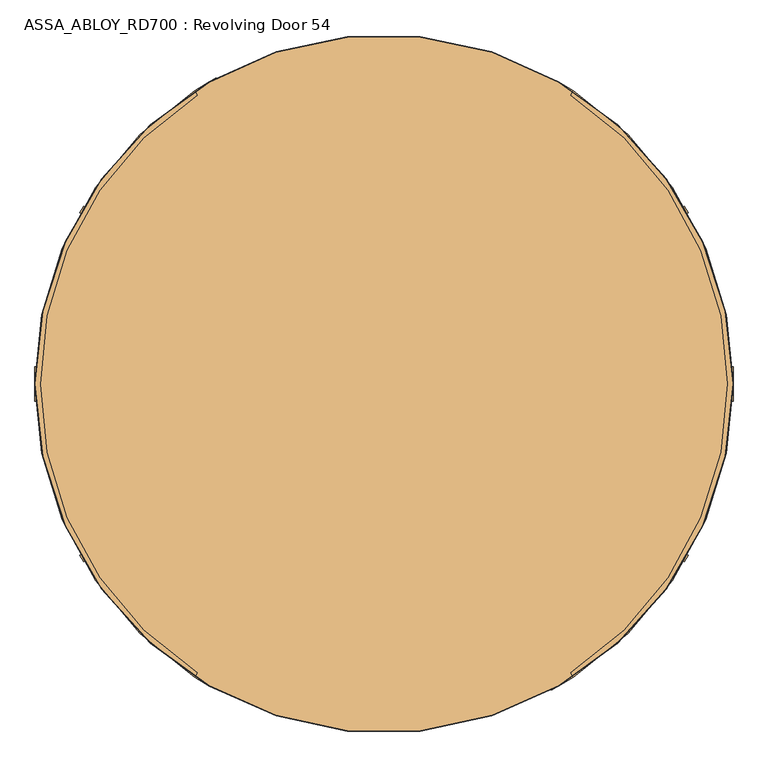
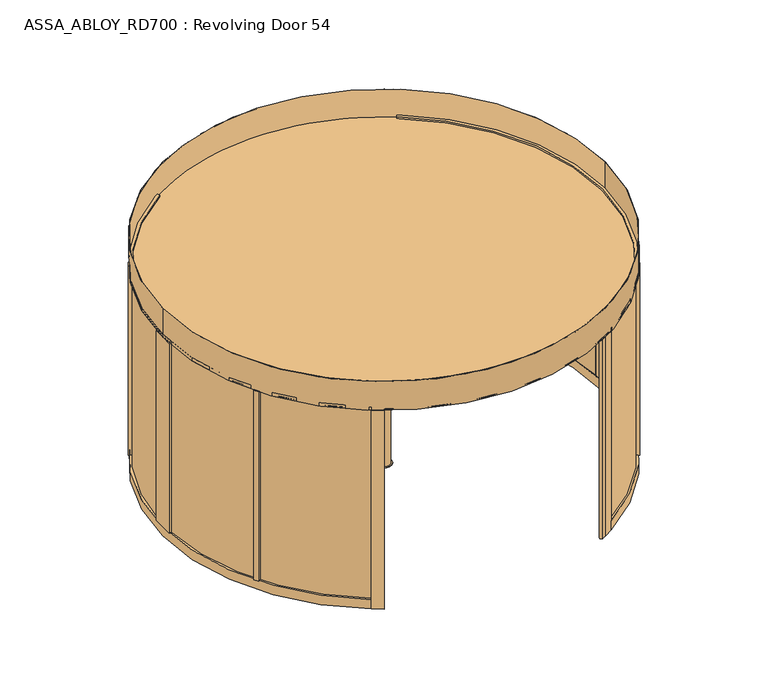
"""IFC4 building model written with IfcOpenShell, lengths in millimetres: door geometry, ASSA_ABLOY_RD700 : Revolving Door 54."""

from ifc_helpers import new_model, si_unit, point, frame, frame_2d, origin, origin_with_axes, origin_2d, place, context, project, spatial, polyline, circle_curve, trimmed, segment, composite_curve, outline, extrude, source, transform, mapped, element, save


def assa_abloy_rd700_revolving_door_54_5173dad9(model_context):
    return source(origin(), model_context, "Body", "SweptSolid", [
        extrude(outline(polyline([(-21.1919363, 1e-07), (0.0, 0.0), (1.2354289, -3.3526833), (-14.8894584, -17.1035441), (-15.8652682, -14.4554101), (-11.2716326, -10.6269535), (-14.2348715, -2.5853724), (-20.214336, -2.6529929), (-21.1919363, 1e-07)]), holes=[polyline([(-11.7626281, -2.5849674), (-9.3848751, -9.0376681), (-1.6611384, -2.5160752), (-11.7626281, -2.5849674)])]), frame((-1298.4366379, 2204.9582273, 111.8848654), z_axis=(0.8660254037844455, 0.4999999999999883, 0.0), x_axis=(-0.17288098849125008, 0.29943865572958484, 0.9383222555567716)), (0.0, 0.0, 1.0), 2.0),
        extrude(outline(polyline([(-3.5121291, 0.0), (0.0, 0.0), (2.8187321, -2.6852579), (4.250422, -5.1162244), (5.5118808, -7.3434952), (7.3063201, -9.1972245), (9.3614355, -9.1814982), (11.0208469, -7.16163), (10.6514742, -3.4882217), (8.71119, 0.0484617), (6.0403681, 2.6484111), (9.0699595, 3.711135), (11.0920114, 1.0208017), (12.7977466, -2.5981572), (13.1300796, -8.3561656), (9.9996043, -11.7673438), (6.2388815, -11.6844271), (3.0893834, -8.4786223), (1.8238571, -6.2006452), (0.6628891, -4.2207408), (-0.9295188, -2.6144294), (-2.9863484, -2.6252693), (-4.8029446, -4.752408), (-4.3562346, -8.76362), (-2.4447823, -12.1320668), (0.6567352, -15.0446471), (-2.5145629, -16.157079), (-4.8247981, -13.2083905), (-6.5093631, -9.6341389), (-7.2092232, -6.1919011), (-6.787432, -3.3659463), (-5.4926863, -1.2764387), (-3.5121291, 0.0)])), frame((-1286.5717426, 2184.4076258, 100.999973), z_axis=(0.8660254037844455, 0.49999999999998834, 0.0), x_axis=(-0.16550355081008244, 0.286660558836129, 0.9436282629706535)), (0.0, 0.0, 1.0), 2.0),
        extrude(outline(polyline([(-3.5121291, 0.0), (0.0, 0.0), (2.8187321, -2.6852579), (4.250422, -5.1162244), (5.5118808, -7.3434952), (7.3063201, -9.1972245), (9.3614355, -9.1814982), (11.0208469, -7.1616301), (10.6514742, -3.4882218), (8.71119, 0.0484617), (6.0403681, 2.6484111), (9.0699595, 3.711135), (11.0920114, 1.0208017), (12.7977466, -2.5981572), (13.1300796, -8.3561656), (9.9996043, -11.7673438), (6.2388815, -11.6844271), (3.0893834, -8.4786223), (1.8238571, -6.2006452), (0.6628891, -4.2207408), (-0.9295188, -2.6144294), (-2.9863484, -2.6252693), (-4.8029446, -4.752408), (-4.3562346, -8.76362), (-2.4447823, -12.1320668), (0.6567352, -15.0446471), (-2.5145629, -16.157079), (-4.8247981, -13.2083905), (-6.5093631, -9.6341389), (-7.2092232, -6.1919011), (-6.787432, -3.3659463), (-5.4926863, -1.2764387), (-3.5121291, 0.0)])), frame((-1277.1264315, 2168.0478671, 100.999973), z_axis=(0.8660254037844455, 0.49999999999998834, 0.0), x_axis=(-0.16550355081008244, 0.286660558836129, 0.9436282629706535)), (0.0, 0.0, 1.0), 2.0),
        extrude(outline(polyline([(-21.1919363, 1e-07), (0.0, 0.0), (1.2354289, -3.3526833), (-14.8894584, -17.1035441), (-15.8652682, -14.4554101), (-11.2716326, -10.6269535), (-14.2348715, -2.5853724), (-20.214336, -2.6529929), (-21.1919363, 1e-07)]), holes=[polyline([(-11.7626281, -2.5849675), (-9.3848751, -9.0376682), (-1.6611384, -2.5160752), (-11.7626281, -2.5849675)])]), frame((-1270.1007046, 2155.8789512, 111.8848654), z_axis=(0.8660254037844455, 0.4999999999999883, 0.0), x_axis=(-0.17288098849125008, 0.29943865572958484, 0.9383222555567716)), (0.0, 0.0, 1.0), 2.0),
        extrude(outline(polyline([(-21.1919363, 1e-07), (0.0, 0.0), (1.2354289, -3.3526833), (-14.8894584, -17.1035441), (-15.8652682, -14.4554101), (-11.2716326, -10.6269535), (-14.2348715, -2.5853724), (-20.214336, -2.6529929), (-21.1919363, 1e-07)]), holes=[polyline([(-11.7626281, -2.5849674), (-9.3848751, -9.0376681), (-1.6611384, -2.5160752), (-11.7626281, -2.5849674)])]), frame((-1255.8498844, 2131.1958065, 111.8848654), z_axis=(0.8660254037844455, 0.4999999999999883, 0.0), x_axis=(-0.17288098849125008, 0.29943865572958484, 0.9383222555567716)), (0.0, 0.0, 1.0), 2.0),
        extrude(outline(polyline([(-3.6247797, -1e-07), (0.0, 0.0), (2.8147562, -2.4211002), (3.7068839, -0.0321767), (5.7320771, 1.441087), (7.9241126, 1.6554024), (9.8352433, 0.5920774), (11.1479956, -1.1951535), (12.3716711, -4.2930708), (14.3144162, -9.9880648), (-4.5055294, -16.4081519), (-6.8194358, -9.6251298), (-7.5842828, -6.2202288), (-7.204982, -3.4426963), (-5.9232413, -1.3859292), (-3.6247797, -1e-07)]), holes=[polyline([(5.2214253, -2.9241787), (4.7734732, -6.6552625), (5.9304264, -10.0467736), (11.2627443, -8.2277489), (10.1960736, -5.1008933), (9.3653605, -2.9303688), (5.2214253, -2.9241787)]), polyline([(-2.8765907, -2.5461078), (-4.3679308, -3.4351118), (-5.1102534, -4.8838351), (-5.1175974, -6.8751818), (-4.336209, -9.7190964), (-3.1658807, -13.1498157), (3.7347661, -10.7957837), (2.347091, -6.7279309), (1.5099769, -4.5787397), (0.5832315, -3.1932876), (-0.9746905, -2.2912471), (-2.8765907, -2.5461078)])]), frame((-1243.6574584, 2110.0779052, 101.561824), z_axis=(0.8660254037844455, 0.49999999999998823, 0.0), x_axis=(-0.16143149534181742, 0.2796075518738551, 0.9464457138403736)), (0.0, 0.0, 1.0), 2.0),
        extrude(outline(polyline([(-2.319901, 0.0), (0.0, 0.0), (0.0, -9.9424327), (17.5649644, -9.9424327), (17.5649644, -12.5937481), (-2.319901, -12.5937481), (-2.319901, 0.0)])), frame((-1234.9526514, 2095.0007373, 94.319901), z_axis=(0.8660254037844455, 0.49999999999998823, 0.0), x_axis=(0.0, 0.0, 1.0)), (0.0, 0.0, 1.0), 2.0),
        extrude(outline(polyline([(-3.4755122, 0.0), (0.0, 0.0), (3.5095376, -1.5864763), (6.1998493, -4.2905332), (7.4345587, -7.5668216), (7.0812776, -11.3109182), (5.1361655, -15.2239686), (2.1257687, -18.4422905), (-1.2097864, -20.048671), (-4.7147757, -20.0502836), (-8.2007387, -18.4707048), (-10.9175762, -15.7640054), (-12.1283676, -12.475947), (-11.7934802, -8.7947164), (-9.8417791, -4.8358203), (-6.8343334, -1.6217536), (-3.4755122, 0.0)]), holes=[polyline([(-7.663169, -6.3468237), (-9.5892894, -12.1951337), (-6.8871209, -16.5585186), (-1.8513939, -17.5618518), (2.9575554, -13.7129652), (4.8960978, -7.8921765), (2.1788995, -3.4868579), (-2.8864763, -2.494471), (-7.663169, -6.3468237)])]), frame((-1227.6757746, 2082.3968168, 111.5197917), z_axis=(0.8660254037844455, 0.4999999999999882, 0.0), x_axis=(-0.4108545755708555, 0.711620999410891, 0.5699070721880338)), (0.0, 0.0, 1.0), 2.0),
        extrude(outline(polyline([(-3.1691505, 0.0), (0.0, 0.0), (5.4320895, -8.8964059), (10.9211409, 0.0), (14.0643996, 0.0), (6.7732822, -11.4441543), (6.7732822, -19.8848654), (4.1219669, -19.8848654), (4.1219669, -11.1645234), (-3.1691505, 0.0)])), frame((-1217.1494829, 2064.1647447, 111.8848654), z_axis=(0.8660254037844455, 0.49999999999998823, 0.0), x_axis=(-0.49999999999998823, 0.8660254037844455, 0.0)), (0.0, 0.0, 1.0), 2.0),
        extrude(outline(polyline([(21.1919362, 0.0), (20.214336, -2.6529929), (14.2348715, -2.5853724), (11.2716326, -10.6269535), (15.8652682, -14.4554101), (14.8894584, -17.1035442), (-1.2354289, -3.3526833), (0.0, 0.0), (21.1919362, 0.0)]), holes=[polyline([(11.7626281, -2.5849675), (1.6611384, -2.5160752), (9.3848751, -9.0376682), (11.7626281, -2.5849675)])]), frame((-1184.9734689, 2092.4342537, 111.8848654), z_axis=(0.8660254037844423, 0.4999999999999939, 0.0), x_axis=(-0.172880988491252, 0.2994386557295837, -0.9383222555567716)), (0.0, 0.0, 1.0), 2.0),
        extrude(outline(polyline([(3.5121291, 0.0), (5.4926863, -1.2764387), (6.787432, -3.3659463), (7.2092232, -6.1919012), (6.5093631, -9.6341389), (4.824798, -13.2083907), (2.5145629, -16.1570791), (-0.6567353, -15.0446472), (2.4447822, -12.1320668), (4.3562345, -8.7636201), (4.8029446, -4.7524082), (2.9863484, -2.6252693), (0.9295188, -2.6144294), (-0.6628891, -4.2207409), (-1.8238571, -6.2006453), (-3.0893834, -8.4786223), (-6.2388816, -11.6844271), (-9.9996043, -11.7673439), (-13.1300796, -8.3561656), (-12.7977466, -2.5981572), (-11.0920114, 1.0208017), (-9.0699595, 3.711135), (-6.0403681, 2.6484111), (-8.71119, 0.0484616), (-10.6514742, -3.4882218), (-11.0208469, -7.1616301), (-9.3614355, -9.1814983), (-7.3063201, -9.1972246), (-5.5118808, -7.3434952), (-4.250422, -5.1162245), (-2.8187321, -2.6852579), (0.0, 0.0), (3.5121291, 0.0)])), frame((-1196.8383642, 2112.9848552, 100.999973), z_axis=(0.8660254037844424, 0.49999999999999384, 0.0), x_axis=(-0.16550355081008428, 0.28666055883612795, -0.9436282629706535)), (0.0, 0.0, 1.0), 2.0),
        extrude(outline(polyline([(3.5121291, 0.0), (5.4926863, -1.2764387), (6.787432, -3.3659463), (7.2092232, -6.1919012), (6.5093631, -9.6341389), (4.824798, -13.2083907), (2.5145629, -16.1570791), (-0.6567353, -15.0446472), (2.4447822, -12.1320668), (4.3562345, -8.7636201), (4.8029446, -4.7524082), (2.9863484, -2.6252693), (0.9295188, -2.6144294), (-0.6628891, -4.2207409), (-1.8238571, -6.2006453), (-3.0893834, -8.4786223), (-6.2388816, -11.6844271), (-9.9996043, -11.7673439), (-13.1300796, -8.3561656), (-12.7977466, -2.5981572), (-11.0920114, 1.0208016), (-9.0699595, 3.711135), (-6.0403681, 2.6484111), (-8.71119, 0.0484616), (-10.6514742, -3.4882218), (-11.0208469, -7.1616301), (-9.3614355, -9.1814983), (-7.3063201, -9.1972246), (-5.5118808, -7.3434952), (-4.250422, -5.1162245), (-2.8187321, -2.6852579), (0.0, 0.0), (3.5121291, 0.0)])), frame((-1206.2836753, 2129.3446139, 100.999973), z_axis=(0.8660254037844424, 0.49999999999999384, 0.0), x_axis=(-0.16550355081008428, 0.28666055883612795, -0.9436282629706535)), (0.0, 0.0, 1.0), 2.0),
        extrude(outline(polyline([(21.1919362, 0.0), (20.214336, -2.6529929), (14.2348715, -2.5853723), (11.2716326, -10.6269535), (15.8652682, -14.4554101), (14.8894584, -17.1035441), (-1.2354289, -3.3526834), (0.0, 0.0), (21.1919362, 0.0)]), holes=[polyline([(11.7626281, -2.5849674), (1.6611384, -2.5160752), (9.3848751, -9.0376682), (11.7626281, -2.5849674)])]), frame((-1213.3094021, 2141.5135298, 111.8848654), z_axis=(0.8660254037844423, 0.4999999999999939, 0.0), x_axis=(-0.172880988491252, 0.2994386557295837, -0.9383222555567716)), (0.0, 0.0, 1.0), 2.0),
        extrude(outline(polyline([(21.1919362, 0.0), (20.214336, -2.6529929), (14.2348715, -2.5853724), (11.2716326, -10.6269535), (15.8652682, -14.4554101), (14.8894584, -17.1035442), (-1.2354289, -3.3526833), (0.0, 0.0), (21.1919362, 0.0)]), holes=[polyline([(11.7626281, -2.5849675), (1.6611384, -2.5160752), (9.3848751, -9.0376682), (11.7626281, -2.5849675)])]), frame((-1227.5602224, 2166.1966745, 111.8848654), z_axis=(0.8660254037844423, 0.4999999999999939, 0.0), x_axis=(-0.172880988491252, 0.2994386557295837, -0.9383222555567716)), (0.0, 0.0, 1.0), 2.0),
        extrude(outline(polyline([(3.6247797, 0.0), (5.9232413, -1.3859291), (7.2049821, -3.4426962), (7.5842828, -6.2202288), (6.8194358, -9.6251297), (4.5055294, -16.4081518), (-14.3144162, -9.9880647), (-12.3716711, -4.2930708), (-11.1479955, -1.1951534), (-9.8352432, 0.5920774), (-7.9241126, 1.6554025), (-5.7320771, 1.441087), (-3.7068838, -0.0321766), (-2.8147562, -2.4211001), (0.0, 0.0), (3.6247797, 0.0)]), holes=[polyline([(-5.2214252, -2.9241786), (-9.3653605, -2.9303687), (-10.1960736, -5.1008933), (-11.2627443, -8.2277488), (-5.9304264, -10.0467734), (-4.7734732, -6.6552624), (-5.2214252, -2.9241786)]), polyline([(2.8765907, -2.5461078), (0.9746905, -2.291247), (-0.5832315, -3.1932875), (-1.5099769, -4.5787396), (-2.3470909, -6.7279308), (-3.734766, -10.7957836), (3.1658807, -13.1498156), (4.3362091, -9.7190963), (5.1175975, -6.8751817), (5.1102534, -4.8838351), (4.3679308, -3.4351116), (2.8765907, -2.5461078)])]), frame((-1239.7526483, 2187.3145757, 101.561824), z_axis=(0.8660254037844424, 0.49999999999999384, 0.0), x_axis=(-0.16143149534181922, 0.27960755187385405, -0.9464457138403736)), (0.0, 0.0, 1.0), 2.0),
        extrude(outline(polyline([(2.319901, 0.0), (2.319901, -12.5937481), (-17.5649644, -12.5937481), (-17.5649644, -9.9424327), (0.0, -9.9424327), (0.0, 0.0), (2.319901, 0.0)])), frame((-1248.4574553, 2202.3917437, 94.319901), z_axis=(0.8660254037844423, 0.49999999999999384, 0.0), x_axis=(0.0, 0.0, -1.0)), (0.0, 0.0, 1.0), 2.0),
        extrude(outline(polyline([(3.4755122, 0.0), (6.8343333, -1.6217536), (9.841779, -4.8358204), (11.7934802, -8.7947164), (12.1283676, -12.475947), (10.9175762, -15.7640054), (8.2007386, -18.4707048), (4.7147757, -20.0502836), (1.2097864, -20.048671), (-2.1257687, -18.4422905), (-5.1361655, -15.2239686), (-7.0812776, -11.3109182), (-7.4345588, -7.5668217), (-6.1998493, -4.2905332), (-3.5095377, -1.5864764), (0.0, 0.0), (3.4755122, 0.0)]), holes=[polyline([(7.663169, -6.3468237), (2.8864762, -2.4944711), (-2.1788995, -3.4868579), (-4.8960978, -7.8921765), (-2.9575555, -13.7129653), (1.8513939, -17.5618518), (6.8871209, -16.5585186), (9.5892893, -12.1951337), (7.663169, -6.3468237)])]), frame((-1255.7343322, 2214.9956642, 111.5197917), z_axis=(0.8660254037844421, 0.49999999999999384, 0.0), x_axis=(-0.410854575570859, 0.7116209994108863, -0.5699070721880373)), (0.0, 0.0, 1.0), 2.0),
        extrude(outline(polyline([(3.1691504, 0.0), (-4.1219669, -11.1645234), (-4.1219669, -19.8848654), (-6.7732823, -19.8848654), (-6.7732823, -11.4441543), (-14.0643996, 0.0), (-10.921141, 0.0), (-5.4320896, -8.8964059), (0.0, 0.0), (3.1691504, 0.0)])), frame((-1266.2606239, 2233.2277363, 111.8848654), z_axis=(0.8660254037844423, 0.49999999999999384, 0.0), x_axis=(-0.49999999999999384, 0.8660254037844423, 0.0)), (0.0, 0.0, 1.0), 2.0),
        extrude(outline(polyline([(26.6515221, 0.0), (0.0, 0.0), (0.0, -39.5498894), (-13.9731118, -39.4978266), (-35.4734857, -27.0878672), (-65.7800894, 7.1605958), (-57.4313185, 25.5557642), (-24.0034278, 19.9844491), (26.6515221, 0.0)])), frame((-522.8205081, 865.5516832, 42.0), z_axis=(-0.4999999999999939, 0.8660254037844421, 0.0), x_axis=(0.8660254037844421, 0.4999999999999939, 0.0)), (0.0, 0.0, 1.0), 1639.0),
        extrude(outline(polyline([(33.1204549, 0.0), (0.0, 0.0), (0.0, -37.4557851), (-13.0431775, -37.4022447), (-28.8456008, -22.8930528), (-37.5120241, -2.8258245), (-41.1595702, 16.5838424), (-29.2477892, 28.4956234), (33.1204549, 0.0)])), frame((-56.3205081, 57.5499815, 42.0), z_axis=(-0.4999999999999939, 0.8660254037844421, 0.0), x_axis=(0.8660254037844421, 0.4999999999999939, 0.0)), (0.0, 0.0, 1.0), 933.0),
        extrude(outline(polyline([(-1319.2396129, 2298.2930811), (-1342.3205081, 2284.96732), (-1322.5455634, 2250.7161111), (-1334.6726646, 2243.7746428), (-1359.4975143, 2243.771796), (-1402.8680345, 2258.2785332), (-1404.835371, 2278.3836018), (-1373.1003109, 2290.2726467), (-1319.2396129, 2298.2930811)])), origin_with_axes(), (0.0, 0.0, 1.0), 2600.0),
        extrude(outline(composite_curve([segment(polyline([(-1350.0, 2338.2685902), (-1370.0, 2372.9096064)]), True, "CONTINUOUS"), segment(trimmed(circle_curve(origin_2d(), 2740.0), [point((-1370.0, 2372.9096064))], [point((-1326.4706086, 2397.5144889))], False, "CARTESIAN"), True, "CONTINUOUS"), segment(trimmed(circle_curve(frame_2d((-1316.7850923, 2380.0085105)), 20.0067115), [point((-1326.4706086, 2397.5144889))], [point((-1306.4672285, 2362.8676182))], False, "CARTESIAN"), True, "CONTINUOUS"), segment(trimmed(circle_curve(origin_2d(), 2700.0), [point((-1306.4672285, 2362.8676182))], [point((-1350.0, 2338.2685902))], True, "CARTESIAN"), True, "CONTINUOUS")], self_intersect=False)), origin_with_axes(), (0.0, 0.0, 1.0), 2600.0),
        extrude(outline(composite_curve([segment(polyline([(1350.0, -2338.2685902), (1370.0, -2372.9096064)]), True, "CONTINUOUS"), segment(trimmed(circle_curve(origin_2d(), 2740.0), [point((1370.0, -2372.9096064))], [point((1326.4706086, -2397.5144889))], False, "CARTESIAN"), True, "CONTINUOUS"), segment(trimmed(circle_curve(frame_2d((1316.7850923, -2380.0085105)), 20.0067115), [point((1326.4706086, -2397.5144889))], [point((1306.4672285, -2362.8676182))], False, "CARTESIAN"), True, "CONTINUOUS"), segment(trimmed(circle_curve(origin_2d(), 2700.0), [point((1306.4672285, -2362.8676182))], [point((1350.0, -2338.2685902))], True, "CARTESIAN"), True, "CONTINUOUS")], self_intersect=False)), origin_with_axes(), (0.0, 0.0, 1.0), 2600.0),
        extrude(outline(composite_curve([segment(trimmed(circle_curve(origin_2d(), 2726.0), [point((-2726.0, 0.0))], [point((2726.0, 0.0))], False, "CARTESIAN"), True, "CONTINUOUS"), segment(trimmed(circle_curve(origin_2d(), 2726.0), [point((2726.0, 0.0))], [point((-2726.0, 0.0))], False, "CARTESIAN"), True, "CONTINUOUS")], self_intersect=False)), frame((0.0, 0.0, 2600.0), z_axis=(0.0, 0.0, 1.0), x_axis=(1.0, 0.0, 0.0)), (0.0, 0.0, 1.0), 16.0),
        extrude(outline(composite_curve([segment(polyline([(-1486.090823, 2301.7782347), (-1466.0657747, 2267.0938335)]), True, "CONTINUOUS"), segment(trimmed(circle_curve(frame_2d((0.0, -0.2065754)), 2700.0), [point((-1466.0657747, 2267.0938335))], [point((-1466.0657747, -2267.5069843))], True, "CARTESIAN"), True, "CONTINUOUS"), segment(polyline([(-1466.0657747, -2267.5069843), (-1486.090823, -2302.1913855)]), True, "CONTINUOUS"), segment(trimmed(circle_curve(frame_2d((0.0, -0.2065754)), 2740.0), [point((-1486.090823, -2302.1913855))], [point((-1486.090823, 2301.7782347))], False, "CARTESIAN"), True, "CONTINUOUS")], self_intersect=False)), frame((0.0, 0.0, 2603.0), z_axis=(0.0, 0.0, 1.0), x_axis=(1.0, 0.0, 0.0)), (0.0, 0.0, 1.0), 40.0),
        extrude(outline(composite_curve([segment(polyline([(-1486.090823, -2302.1913855), (-1466.0657747, -2267.5069843)]), True, "CONTINUOUS"), segment(trimmed(circle_curve(frame_2d((0.0, -0.2065754)), 2700.0), [point((-1466.0657747, -2267.5069843))], [point((-1350.0, -2338.4751656))], True, "CARTESIAN"), True, "CONTINUOUS"), segment(polyline([(-1350.0, -2338.4751656), (-1370.0, -2373.1161818)]), True, "CONTINUOUS"), segment(trimmed(circle_curve(frame_2d((0.0, -0.2065754)), 2740.0), [point((-1370.0, -2373.1161818))], [point((-1486.090823, -2302.1913855))], False, "CARTESIAN"), True, "CONTINUOUS")], self_intersect=False)), frame((0.0, 0.0, 3.0), z_axis=(0.0, 0.0, 1.0), x_axis=(1.0, 0.0, 0.0)), (0.0, 0.0, 1.0), 2600.0),
        extrude(outline(composite_curve([segment(polyline([(-1370.0, 2372.703031), (-1350.0, 2338.0620148)]), True, "CONTINUOUS"), segment(trimmed(circle_curve(frame_2d((0.0, -0.2065754)), 2700.0), [point((-1350.0, 2338.0620148))], [point((-1466.0657747, 2267.0938335))], True, "CARTESIAN"), True, "CONTINUOUS"), segment(polyline([(-1466.0657747, 2267.0938335), (-1486.090823, 2301.7782347)]), True, "CONTINUOUS"), segment(trimmed(circle_curve(frame_2d((0.0, -0.2065754)), 2740.0), [point((-1486.090823, 2301.7782347))], [point((-1370.0, 2372.703031))], False, "CARTESIAN"), True, "CONTINUOUS")], self_intersect=False)), frame((0.0, 0.0, 3.0), z_axis=(0.0, 0.0, 1.0), x_axis=(1.0, 0.0, 0.0)), (0.0, 0.0, 1.0), 2600.0),
        extrude(outline(composite_curve([segment(polyline([(-2709.5890832, -136.2065754), (-2701.5789827, -136.2065754)]), True, "CONTINUOUS"), segment(trimmed(circle_curve(frame_2d((0.0, -0.2065754)), 2705.0), [point((-2701.5789827, -136.2065754))], [point((-1468.5689463, -2271.8426048))], True, "CARTESIAN"), True, "CONTINUOUS"), segment(polyline([(-1468.5689463, -2271.8426048), (-1472.5739965, -2278.7795553)]), True, "CONTINUOUS"), segment(trimmed(circle_curve(frame_2d((0.0, -0.2065754)), 2713.0), [point((-1472.5739965, -2278.7795553))], [point((-2709.5890832, -136.2065754))], False, "CARTESIAN"), True, "CONTINUOUS")], self_intersect=False)), frame((0.0, 0.0, 123.0), z_axis=(0.0, 0.0, 1.0), x_axis=(1.0, 0.0, 0.0)), (0.0, 0.0, 1.0), 2480.0),
        extrude(outline(composite_curve([segment(polyline([(-1472.5739965, 2278.3664045), (-1468.5689463, 2271.429454)]), True, "CONTINUOUS"), segment(trimmed(circle_curve(frame_2d((0.0, -0.2065754)), 2705.0), [point((-1468.5689463, 2271.429454))], [point((-2701.5789827, 135.7934246))], True, "CARTESIAN"), True, "CONTINUOUS"), segment(polyline([(-2701.5789827, 135.7934246), (-2709.5890832, 135.7934246)]), True, "CONTINUOUS"), segment(trimmed(circle_curve(frame_2d((0.0, -0.2065754)), 2713.0), [point((-2709.5890832, 135.7934246))], [point((-1472.5739965, 2278.3664045))], False, "CARTESIAN"), True, "CONTINUOUS")], self_intersect=False)), frame((0.0, 0.0, 123.0), z_axis=(0.0, 0.0, 1.0), x_axis=(1.0, 0.0, 0.0)), (0.0, 0.0, 1.0), 2480.0),
        extrude(outline(polyline([(-2740.0, -136.2065754), (-2740.0, 135.7934246), (-2700.0, 135.7934246), (-2700.0, -136.2065754), (-2740.0, -136.2065754)])), frame((0.0, 0.0, 123.0), z_axis=(0.0, 0.0, 1.0), x_axis=(1.0, 0.0, 0.0)), (0.0, 0.0, 1.0), 2480.0),
        extrude(outline(composite_curve([segment(polyline([(-1486.090823, 2301.7782347), (-1466.0657747, 2267.0938335)]), True, "CONTINUOUS"), segment(trimmed(circle_curve(frame_2d((0.0, -0.2065754)), 2700.0), [point((-1466.0657747, 2267.0938335))], [point((-1466.0657747, -2267.5069843))], True, "CARTESIAN"), True, "CONTINUOUS"), segment(polyline([(-1466.0657747, -2267.5069843), (-1486.090823, -2302.1913855)]), True, "CONTINUOUS"), segment(trimmed(circle_curve(frame_2d((0.0, -0.2065754)), 2740.0), [point((-1486.090823, -2302.1913855))], [point((-1486.090823, 2301.7782347))], False, "CARTESIAN"), True, "CONTINUOUS")], self_intersect=False)), frame((0.0, 0.0, 3.0), z_axis=(0.0, 0.0, 1.0), x_axis=(1.0, 0.0, 0.0)), (0.0, 0.0, 1.0), 120.0),
        extrude(outline(composite_curve([segment(trimmed(circle_curve(frame_2d((0.0, -0.2065754)), 2740.0), [point((-2357.7673717, -1396.1052183))], [point((-2387.7673717, -1344.143694))], False, "CARTESIAN"), True, "CONTINUOUS"), segment(polyline([(-2387.7673717, -1344.143694), (-2353.1242482, -1324.1424774)]), True, "CONTINUOUS"), segment(trimmed(circle_curve(frame_2d((0.0, -0.2065754)), 2700.0), [point((-2353.1242482, -1324.1424774))], [point((-2323.1242482, -1376.1040016))], True, "CARTESIAN"), True, "CONTINUOUS"), segment(polyline([(-2323.1242482, -1376.1040016), (-2357.7673717, -1396.1052183)]), True, "CONTINUOUS")], self_intersect=False)), frame((0.0, 0.0, 123.0), z_axis=(0.0, 0.0, 1.0), x_axis=(1.0, 0.0, 0.0)), (0.0, 0.0, 1.0), 2480.0),
        extrude(outline(composite_curve([segment(polyline([(-2357.7673717, 1395.6920675), (-2323.1242482, 1375.6908508)]), True, "CONTINUOUS"), segment(trimmed(circle_curve(frame_2d((0.0, -0.2065754)), 2700.0), [point((-2323.1242482, 1375.6908508))], [point((-2353.1242482, 1323.7293266))], True, "CARTESIAN"), True, "CONTINUOUS"), segment(polyline([(-2353.1242482, 1323.7293266), (-2387.7673717, 1343.7305432)]), True, "CONTINUOUS"), segment(trimmed(circle_curve(frame_2d((0.0, -0.2065754)), 2740.0), [point((-2387.7673717, 1343.7305432))], [point((-2357.7673717, 1395.6920675))], False, "CARTESIAN"), True, "CONTINUOUS")], self_intersect=False)), frame((0.0, 0.0, 123.0), z_axis=(0.0, 0.0, 1.0), x_axis=(1.0, 0.0, 0.0)), (0.0, 0.0, 1.0), 2480.0),
        extrude(outline(composite_curve([segment(trimmed(circle_curve(origin_2d(), 2740.0), [point((1486.090823, 2301.9848101))], [point((1486.090823, -2301.9848101))], False, "CARTESIAN"), True, "CONTINUOUS"), segment(polyline([(1486.090823, -2301.9848101), (1466.0657747, -2267.3004089)]), True, "CONTINUOUS"), segment(trimmed(circle_curve(origin_2d(), 2700.0), [point((1466.0657747, -2267.3004089))], [point((1466.0657747, 2267.3004089))], True, "CARTESIAN"), True, "CONTINUOUS"), segment(polyline([(1466.0657747, 2267.3004089), (1486.090823, 2301.9848101)]), True, "CONTINUOUS")], self_intersect=False)), frame((0.0, 0.0, 2600.0), z_axis=(0.0, 0.0, 1.0), x_axis=(1.0, 0.0, 0.0)), (0.0, 0.0, 1.0), 40.0),
        extrude(outline(composite_curve([segment(trimmed(circle_curve(origin_2d(), 2740.0), [point((1486.090823, -2301.9848101))], [point((1370.0, -2372.9096064))], False, "CARTESIAN"), True, "CONTINUOUS"), segment(polyline([(1370.0, -2372.9096064), (1350.0, -2338.2685902)]), True, "CONTINUOUS"), segment(trimmed(circle_curve(origin_2d(), 2700.0), [point((1350.0, -2338.2685902))], [point((1466.0657747, -2267.3004089))], True, "CARTESIAN"), True, "CONTINUOUS"), segment(polyline([(1466.0657747, -2267.3004089), (1486.090823, -2301.9848101)]), True, "CONTINUOUS")], self_intersect=False)), origin_with_axes(), (0.0, 0.0, 1.0), 2600.0),
        extrude(outline(composite_curve([segment(trimmed(circle_curve(origin_2d(), 2740.0), [point((1370.0, 2372.9096064))], [point((1486.090823, 2301.9848101))], False, "CARTESIAN"), True, "CONTINUOUS"), segment(polyline([(1486.090823, 2301.9848101), (1466.0657747, 2267.3004089)]), True, "CONTINUOUS"), segment(trimmed(circle_curve(origin_2d(), 2700.0), [point((1466.0657747, 2267.3004089))], [point((1350.0, 2338.2685902))], True, "CARTESIAN"), True, "CONTINUOUS"), segment(polyline([(1350.0, 2338.2685902), (1370.0, 2372.9096064)]), True, "CONTINUOUS")], self_intersect=False)), origin_with_axes(), (0.0, 0.0, 1.0), 2600.0),
        extrude(outline(composite_curve([segment(trimmed(circle_curve(origin_2d(), 2713.0), [point((2709.5890832, -136.0))], [point((1472.5739965, -2278.5729799))], False, "CARTESIAN"), True, "CONTINUOUS"), segment(polyline([(1472.5739965, -2278.5729799), (1468.5689463, -2271.6360294)]), True, "CONTINUOUS"), segment(trimmed(circle_curve(origin_2d(), 2705.0), [point((1468.5689463, -2271.6360294))], [point((2701.5789827, -136.0))], True, "CARTESIAN"), True, "CONTINUOUS"), segment(polyline([(2701.5789827, -136.0), (2709.5890832, -136.0)]), True, "CONTINUOUS")], self_intersect=False)), frame((0.0, 0.0, 120.0), z_axis=(0.0, 0.0, 1.0), x_axis=(1.0, 0.0, 0.0)), (0.0, 0.0, 1.0), 2480.0),
        extrude(outline(composite_curve([segment(trimmed(circle_curve(origin_2d(), 2713.0), [point((1472.5739965, 2278.5729799))], [point((2709.5890832, 136.0))], False, "CARTESIAN"), True, "CONTINUOUS"), segment(polyline([(2709.5890832, 136.0), (2701.5789827, 136.0)]), True, "CONTINUOUS"), segment(trimmed(circle_curve(origin_2d(), 2705.0), [point((2701.5789827, 136.0))], [point((1468.5689463, 2271.6360294))], True, "CARTESIAN"), True, "CONTINUOUS"), segment(polyline([(1468.5689463, 2271.6360294), (1472.5739965, 2278.5729799)]), True, "CONTINUOUS")], self_intersect=False)), frame((0.0, 0.0, 120.0), z_axis=(0.0, 0.0, 1.0), x_axis=(1.0, 0.0, 0.0)), (0.0, 0.0, 1.0), 2480.0),
        extrude(outline(polyline([(2740.0, -136.0), (2700.0, -136.0), (2700.0, 136.0), (2740.0, 136.0), (2740.0, -136.0)])), frame((0.0, 0.0, 120.0), z_axis=(0.0, 0.0, 1.0), x_axis=(1.0, 0.0, 0.0)), (0.0, 0.0, 1.0), 2480.0),
        extrude(outline(composite_curve([segment(trimmed(circle_curve(origin_2d(), 2740.0), [point((1486.090823, 2301.9848101))], [point((1486.090823, -2301.9848101))], False, "CARTESIAN"), True, "CONTINUOUS"), segment(polyline([(1486.090823, -2301.9848101), (1466.0657747, -2267.3004089)]), True, "CONTINUOUS"), segment(trimmed(circle_curve(origin_2d(), 2700.0), [point((1466.0657747, -2267.3004089))], [point((1466.0657747, 2267.3004089))], True, "CARTESIAN"), True, "CONTINUOUS"), segment(polyline([(1466.0657747, 2267.3004089), (1486.090823, 2301.9848101)]), True, "CONTINUOUS")], self_intersect=False)), origin_with_axes(), (0.0, 0.0, 1.0), 120.0),
        extrude(outline(composite_curve([segment(polyline([(2357.7673717, -1395.8986429), (2323.1242482, -1375.8974262)]), True, "CONTINUOUS"), segment(trimmed(circle_curve(origin_2d(), 2700.0), [point((2323.1242482, -1375.8974262))], [point((2353.1242482, -1323.935902))], True, "CARTESIAN"), True, "CONTINUOUS"), segment(polyline([(2353.1242482, -1323.935902), (2387.7673717, -1343.9371186)]), True, "CONTINUOUS"), segment(trimmed(circle_curve(origin_2d(), 2740.0), [point((2387.7673717, -1343.9371186))], [point((2357.7673717, -1395.8986429))], False, "CARTESIAN"), True, "CONTINUOUS")], self_intersect=False)), frame((0.0, 0.0, 120.0), z_axis=(0.0, 0.0, 1.0), x_axis=(1.0, 0.0, 0.0)), (0.0, 0.0, 1.0), 2480.0),
        extrude(outline(composite_curve([segment(trimmed(circle_curve(origin_2d(), 2740.0), [point((2357.7673717, 1395.8986429))], [point((2387.7673717, 1343.9371186))], False, "CARTESIAN"), True, "CONTINUOUS"), segment(polyline([(2387.7673717, 1343.9371186), (2353.1242482, 1323.935902)]), True, "CONTINUOUS"), segment(trimmed(circle_curve(origin_2d(), 2700.0), [point((2353.1242482, 1323.935902))], [point((2323.1242482, 1375.8974262))], True, "CARTESIAN"), True, "CONTINUOUS"), segment(polyline([(2323.1242482, 1375.8974262), (2357.7673717, 1395.8986429)]), True, "CONTINUOUS")], self_intersect=False)), frame((0.0, 0.0, 120.0), z_axis=(0.0, 0.0, 1.0), x_axis=(1.0, 0.0, 0.0)), (0.0, 0.0, 1.0), 2480.0),
        extrude(outline(composite_curve([segment(trimmed(circle_curve(origin_2d(), 2740.0), [point((-2740.0, 0.0))], [point((2740.0, 0.0))], False, "CARTESIAN"), True, "CONTINUOUS"), segment(trimmed(circle_curve(origin_2d(), 2740.0), [point((2740.0, 0.0))], [point((-2740.0, 0.0))], False, "CARTESIAN"), True, "CONTINUOUS")], self_intersect=False), holes=[composite_curve([segment(trimmed(circle_curve(origin_2d(), 2736.0), [point((-2736.0, 0.0))], [point((2736.0, 0.0))], True, "CARTESIAN"), True, "CONTINUOUS"), segment(trimmed(circle_curve(origin_2d(), 2736.0), [point((2736.0, 0.0))], [point((-2736.0, 0.0))], True, "CARTESIAN"), True, "CONTINUOUS")], self_intersect=False)]), frame((0.0, 0.0, 2600.0), z_axis=(0.0, 0.0, 1.0), x_axis=(1.0, 0.0, 0.0)), (0.0, 0.0, 1.0), 380.0),
        extrude(outline(composite_curve([segment(trimmed(circle_curve(origin_2d(), 2740.0), [point((-2740.0, 0.0))], [point((2740.0, 0.0))], False, "CARTESIAN"), True, "CONTINUOUS"), segment(trimmed(circle_curve(origin_2d(), 2740.0), [point((2740.0, 0.0))], [point((-2740.0, 0.0))], False, "CARTESIAN"), True, "CONTINUOUS")], self_intersect=False)), frame((0.0, 0.0, 2600.0), z_axis=(0.0, 0.0, 1.0), x_axis=(1.0, 0.0, 0.0)), (0.0, 0.0, 1.0), 18.0),
        extrude(outline(composite_curve([segment(trimmed(circle_curve(origin_2d(), 75.0), [point((-75.0, 0.0))], [point((75.0, 0.0))], False, "CARTESIAN"), True, "CONTINUOUS"), segment(trimmed(circle_curve(origin_2d(), 75.0), [point((75.0, 0.0))], [point((-75.0, 0.0))], False, "CARTESIAN"), True, "CONTINUOUS")], self_intersect=False)), origin_with_axes(), (0.0, 0.0, 1.0), 2600.0),
        extrude(outline(composite_curve([segment(trimmed(circle_curve(origin_2d(), 94.0), [point((-94.0, 0.0))], [point((94.0, 0.0))], False, "CARTESIAN"), True, "CONTINUOUS"), segment(trimmed(circle_curve(origin_2d(), 94.0), [point((94.0, 0.0))], [point((-94.0, 0.0))], False, "CARTESIAN"), True, "CONTINUOUS")], self_intersect=False)), origin_with_axes(), (0.0, 0.0, 1.0), 3.0),
    ])


if __name__ == "__main__":
    model = new_model("IFC4")
    model_context = context("Model", 3, world=origin())
    ifc_project = project(units=[si_unit("LENGTHUNIT", "METRE", prefix="MILLI")], contexts=[model_context])
    site = spatial("IfcSite", under=ifc_project)
    building = spatial("IfcBuilding", under=site)
    placement = place(None, origin())
    assa_abloy_rd700_revolving_door_54_shape = assa_abloy_rd700_revolving_door_54_5173dad9(model_context)
    element("IfcDoor", 1, ObjectType="ASSA_ABLOY_RD700 : Revolving Door 54", at=placement, inside=building, context=model_context, shape_type="MappedRepresentation", body=[
        mapped(assa_abloy_rd700_revolving_door_54_shape, transform((0.0, 0.0, 0.0), x_axis=(1.0, 0.0, 0.0), y_axis=(0.0, 1.0, 0.0), z_axis=(0.0, 0.0, 1.0))),
    ])
    save(model, "model.ifc")
